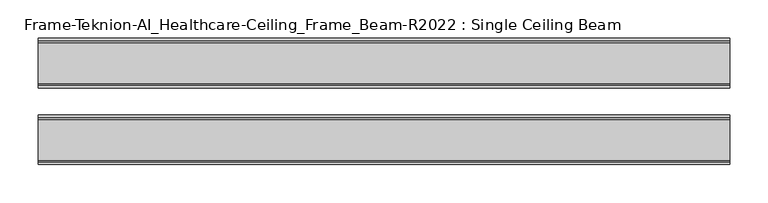
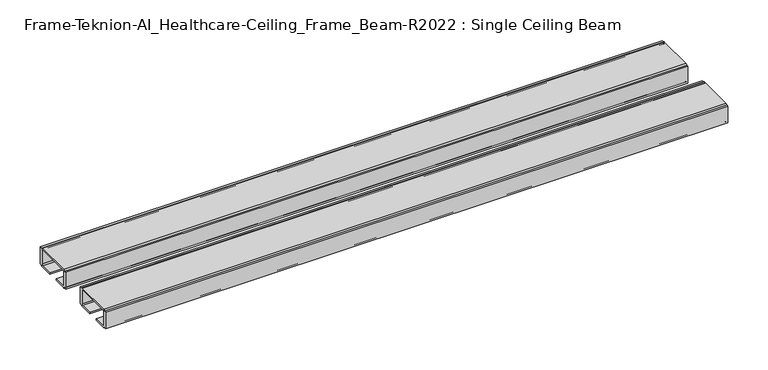
"""IFC4 building model written with IfcOpenShell, lengths in millimetres: furniture geometry, Frame-Teknion-AI_Healthcare-Ceiling_Frame_Beam-R2022 : Single Ceiling Beam."""

import ifcopenshell
import ifcopenshell.guid

model = None  # the IFC model being written
_history = None  # IfcOwnerHistory: only IFC2X3 demands one
_inside = {}  # id of a spatial element -> (the spatial element, [elements in it])
_under = {}  # id of a project, library or spatial element -> (it, [spatial elements below it])
_declared = {}  # id of a project -> (the project, [libraries it declares])
_typed = {}  # id of a type object -> (the type object, [elements of that type])
_made_of = {}  # id of a material, layer set ... -> (it, [elements and type objects made of it])


def new_model(schema):
    """Start an empty IFC model of exactly this schema.

    Asked for "IFC4X3", IfcOpenShell would pick the latest addendum, in which some entities
    have other attributes; the version numbers below select the first issue.
    IFC2X3 requires an IfcOwnerHistory on every rooted entity: one is made here for all.
    """
    global model, _history
    if schema == "IFC4X3":
        model = ifcopenshell.file(schema_version=(4, 3, 0, 0))
    else:
        model = ifcopenshell.file(schema=schema)
    _inside.clear()
    _under.clear()
    _declared.clear()
    _typed.clear()
    _made_of.clear()
    _history = None
    if model.schema == "IFC2X3":
        org = make("IfcOrganization", Name="unknown")
        user = make(
            "IfcPersonAndOrganization",
            ThePerson=make("IfcPerson", FamilyName="unknown"),
            TheOrganization=org,
        )
        app = make(
            "IfcApplication",
            ApplicationDeveloper=org,
            Version="unknown",
            ApplicationFullName="unknown",
            ApplicationIdentifier="unknown",
        )
        _history = make(
            "IfcOwnerHistory",
            OwningUser=user,
            OwningApplication=app,
            ChangeAction="ADDED",
            CreationDate=0,
        )
    return model


def make(cls, **values):
    """One entity of the class cls with the attributes given. An attribute that is None is left unset."""
    return model.create_entity(
        cls, **{name: value for name, value in values.items() if value is not None}
    )


def rooted(cls, **values):
    """An entity with a GlobalId (a new one), such as an element, a storey or a relation."""
    return make(cls, GlobalId=ifcopenshell.guid.new(), OwnerHistory=_history, **values)


def si_unit(unit_type, name, prefix=None):
    """IfcSIUnit, for example si_unit("LENGTHUNIT", "METRE", prefix="MILLI")."""
    return make("IfcSIUnit", UnitType=unit_type, Prefix=prefix, Name=name)


def assignment(units):
    """IfcUnitAssignment: the units of a project."""
    return None if units is None else make("IfcUnitAssignment", Units=units)


def point(xyz):
    """IfcCartesianPoint."""
    return None if xyz is None else make("IfcCartesianPoint", Coordinates=xyz)


def direction(xyz):
    """IfcDirection."""
    return None if xyz is None else make("IfcDirection", DirectionRatios=xyz)


def frame(location, z_axis=None, x_axis=None):
    """IfcAxis2Placement3D, a coordinate frame: its origin and axes. An axis left out is left unset."""
    return make(
        "IfcAxis2Placement3D",
        Location=point(location),
        Axis=direction(z_axis),
        RefDirection=direction(x_axis),
    )


def frame_2d(location, x_axis=None):
    """IfcAxis2Placement2D, a coordinate frame in the plane: its origin and x axis."""
    return make(
        "IfcAxis2Placement2D", Location=point(location), RefDirection=direction(x_axis)
    )


def origin():
    """The frame at (0, 0, 0) with its axes left unset."""
    return frame((0.0, 0.0, 0.0))


def place(relative_to, where):
    """IfcLocalPlacement: puts the frame where relative to a parent placement (None: the world)."""
    return make(
        "IfcLocalPlacement", PlacementRelTo=relative_to, RelativePlacement=where
    )


def context(
    kind, dimensions, precision=None, world=None, true_north=None, identifier=None
):
    """IfcGeometricRepresentationContext, for example the 3D "Model" context."""
    return make(
        "IfcGeometricRepresentationContext",
        ContextIdentifier=identifier,
        ContextType=kind,
        CoordinateSpaceDimension=dimensions,
        Precision=precision,
        WorldCoordinateSystem=world,
        TrueNorth=true_north,
    )


def project(units=None, contexts=None):
    """IfcProject with its units and contexts."""
    return rooted(
        "IfcProject",
        Name="project",
        RepresentationContexts=contexts,
        UnitsInContext=assignment(units),
    )


def spatial(cls, under=None, at=None, **own):
    """A site, building, storey or space (cls), placed at a placement, below another one or the project."""
    s = rooted(cls, ObjectPlacement=at, **own)
    if under is not None:
        _under.setdefault(under.id(), (under, []))[1].append(s)
    return s


def polyline(points):
    """IfcPolyline through the points."""
    return make("IfcPolyline", Points=[point(p) for p in points])


def circle_curve(where, radius):
    """IfcCircle in the frame where."""
    return make("IfcCircle", Position=where, Radius=radius)


def trimmed(basis, trim1, trim2, sense, master):
    """IfcTrimmedCurve: the piece of a basis curve between two trims."""
    return make(
        "IfcTrimmedCurve",
        BasisCurve=basis,
        Trim1=trim1,
        Trim2=trim2,
        SenseAgreement=sense,
        MasterRepresentation=master,
    )


def segment(curve, same_sense, transition):
    """IfcCompositeCurveSegment."""
    return make(
        "IfcCompositeCurveSegment",
        Transition=transition,
        SameSense=same_sense,
        ParentCurve=curve,
    )


def composite_curve(segments, self_intersect=None):
    """IfcCompositeCurve: segments joined end to end."""
    return make("IfcCompositeCurve", Segments=segments, SelfIntersect=self_intersect)


def outline(outer, holes=None, kind="AREA"):
    """IfcArbitraryClosedProfileDef: a profile drawn as a closed curve; with holes, ...WithVoids."""
    if holes is None:
        return make("IfcArbitraryClosedProfileDef", ProfileType=kind, OuterCurve=outer)
    return make(
        "IfcArbitraryProfileDefWithVoids",
        ProfileType=kind,
        OuterCurve=outer,
        InnerCurves=holes,
    )


def extrude(swept, where, along, depth):
    """IfcExtrudedAreaSolid: the profile swept, set in the frame where, extruded along a direction by depth."""
    return make(
        "IfcExtrudedAreaSolid",
        SweptArea=swept,
        Position=where,
        ExtrudedDirection=direction(along),
        Depth=depth,
    )


def shape(context_of_items, identifier, shape_type, items):
    """IfcShapeRepresentation: the items that make up one representation, for example the "Body"."""
    return make(
        "IfcShapeRepresentation",
        ContextOfItems=context_of_items,
        RepresentationIdentifier=identifier,
        RepresentationType=shape_type,
        Items=items,
    )


def source(mapping_origin, context_of_items, identifier, shape_type, items):
    """IfcRepresentationMap: a shape defined once, which mapped items show again and again."""
    return make(
        "IfcRepresentationMap",
        MappingOrigin=mapping_origin,
        MappedRepresentation=shape(context_of_items, identifier, shape_type, items),
    )


def transform(
    local_origin,
    x_axis=None,
    y_axis=None,
    z_axis=None,
    scale=None,
    scale2=None,
    scale3=None,
    uniform=True,
):
    """IfcCartesianTransformationOperator3D, or its non-uniform kind. x_axis, y_axis, z_axis: its Axis1, 2, 3."""
    if uniform:
        return make(
            "IfcCartesianTransformationOperator3D",
            Axis1=direction(x_axis),
            Axis2=direction(y_axis),
            LocalOrigin=point(local_origin),
            Scale=scale,
            Axis3=direction(z_axis),
        )
    return make(
        "IfcCartesianTransformationOperator3DnonUniform",
        Axis1=direction(x_axis),
        Axis2=direction(y_axis),
        LocalOrigin=point(local_origin),
        Scale=scale,
        Axis3=direction(z_axis),
        Scale2=scale2,
        Scale3=scale3,
    )


def mapped(mapping_source, mapping_target):
    """IfcMappedItem: shows the shape of a source again, moved by a transform."""
    return make(
        "IfcMappedItem", MappingSource=mapping_source, MappingTarget=mapping_target
    )


def made_of(thing, what):
    """Note that an element or type object is made of a material, layer set ...; save() writes the relation."""
    if what is not None:
        _made_of.setdefault(what.id(), (what, []))[1].append(thing)
    return thing


def element(
    cls,
    number,
    at=None,
    inside=None,
    cuts=None,
    type_object=None,
    material=None,
    context=None,
    identifier="Body",
    shape_type=None,
    held_by="IfcProductDefinitionShape",
    body=None,
    shapes=None,
    **own,
):
    """One element of the class cls, such as IfcWall. Its Tag is "e" and its number.

    at: its placement. inside: the storey or other place that contains it. cuts: it is an
    opening in that element (IfcRelVoidsElement). A single representation is given by context,
    identifier, shape_type and body (its items); several are given by shapes. held_by: the class
    of the entity that holds the representations. save() writes the other relations.
    """
    e = rooted(cls, Tag="e%d" % number, ObjectPlacement=at, **own)
    if body is not None:
        shapes = [shape(context, identifier, shape_type, body)]
    if shapes is not None:
        e.Representation = make(held_by, Representations=shapes)
    if inside is not None:
        _inside.setdefault(inside.id(), (inside, []))[1].append(e)
    if cuts is not None:
        rooted(
            "IfcRelVoidsElement", RelatingBuildingElement=cuts, RelatedOpeningElement=e
        )
    if type_object is not None:
        _typed.setdefault(type_object.id(), (type_object, []))[1].append(e)
    return made_of(e, material)


def aggregate(whole, parts):
    """IfcRelAggregates: a whole, such as a stair, and the parts it consists of."""
    return rooted("IfcRelAggregates", RelatingObject=whole, RelatedObjects=parts)


def save(model, path):
    """Write the relations noted so far, then the file.

    IfcRelAggregates (storeys below a building ...), IfcRelContainedInSpatialStructure (elements
    in a storey), IfcRelDefinesByType, IfcRelAssociatesMaterial and IfcRelDeclares: one each for
    every whole, place, type object, material and project.
    """
    for whole, parts in _under.values():
        aggregate(whole, parts)
    for where, things in _inside.values():
        rooted(
            "IfcRelContainedInSpatialStructure",
            RelatedElements=things,
            RelatingStructure=where,
        )
    for kind, things in _typed.values():
        rooted("IfcRelDefinesByType", RelatedObjects=things, RelatingType=kind)
    for what, things in _made_of.values():
        rooted("IfcRelAssociatesMaterial", RelatedObjects=things, RelatingMaterial=what)
    for by, libraries in _declared.values():
        rooted("IfcRelDeclares", RelatingContext=by, RelatedDefinitions=libraries)
    model.write(path)


def frame_teknion_ai_healthcare_ceiling_frame_beam_r2022_single_74fca950(model_context):
    return source(origin(), model_context, "Body", "SweptSolid", [
        extrude(outline(composite_curve([segment(polyline([(-82.1812471, 1573.5046), (-82.1812471, 1598.9045998), (-79.0062502, 1598.9045998), (-79.0062502, 1597.787)]), True, "CONTINUOUS"), segment(trimmed(circle_curve(frame_2d((-76.5932502, 1597.787)), 2.413), [point((-79.0062502, 1597.787))], [point((-76.5932502, 1600.2))], False, "CARTESIAN"), True, "CONTINUOUS"), segment(polyline([(-76.5932502, 1600.2), (-23.4192521, 1600.2)]), True, "CONTINUOUS"), segment(trimmed(circle_curve(frame_2d((-23.4192521, 1597.787)), 2.413), [point((-23.4192521, 1600.2))], [point((-21.0062521, 1597.787))], False, "CARTESIAN"), True, "CONTINUOUS"), segment(polyline([(-21.0062521, 1597.787), (-21.0062521, 1598.9045998), (-17.8312551, 1598.9045998), (-17.8312551, 1573.5046), (-21.0062521, 1573.5046), (-21.0062521, 1574.6129989)]), True, "CONTINUOUS"), segment(trimmed(circle_curve(frame_2d((-23.4192521, 1574.6129989)), 2.413), [point((-21.0062521, 1574.6129989))], [point((-23.4192521, 1572.199999))], False, "CARTESIAN"), True, "CONTINUOUS"), segment(polyline([(-23.4192521, 1572.199999), (-42.0687564, 1572.199999), (-42.0687564, 1574.4859991), (-24.562251, 1574.4859991)]), True, "CONTINUOUS"), segment(trimmed(circle_curve(frame_2d((-24.562251, 1576.0099999)), 1.5240008), [point((-24.562251, 1574.4859991))], [point((-23.0382502, 1576.0099999))], True, "CARTESIAN"), True, "CONTINUOUS"), segment(polyline([(-23.0382502, 1576.0099999), (-23.0382502, 1597.1520009)]), True, "CONTINUOUS"), segment(trimmed(circle_curve(frame_2d((-24.0542492, 1597.1520009)), 1.015999), [point((-23.0382502, 1597.1520009))], [point((-24.0542492, 1598.168))], True, "CARTESIAN"), True, "CONTINUOUS"), segment(polyline([(-24.0542492, 1598.168), (-75.9582531, 1598.168)]), True, "CONTINUOUS"), segment(trimmed(circle_curve(frame_2d((-75.9582531, 1597.1520009)), 1.015999), [point((-75.9582531, 1598.168))], [point((-76.9742521, 1597.1520009))], True, "CARTESIAN"), True, "CONTINUOUS"), segment(polyline([(-76.9742521, 1597.1520009), (-76.9742521, 1576.0099999)]), True, "CONTINUOUS"), segment(trimmed(circle_curve(frame_2d((-75.4502513, 1576.0099999)), 1.5240008), [point((-76.9742521, 1576.0099999))], [point((-75.4502513, 1574.4859991))], True, "CARTESIAN"), True, "CONTINUOUS"), segment(polyline([(-75.4502513, 1574.4859991), (-57.9437458, 1574.4859991), (-57.9437458, 1572.199999), (-76.5932502, 1572.199999)]), True, "CONTINUOUS"), segment(trimmed(circle_curve(frame_2d((-76.5932502, 1574.6129989)), 2.413), [point((-76.5932502, 1572.199999))], [point((-79.0062502, 1574.6129989))], False, "CARTESIAN"), True, "CONTINUOUS"), segment(polyline([(-79.0062502, 1574.6129989), (-79.0062502, 1573.5046), (-82.1812471, 1573.5046)]), True, "CONTINUOUS")], self_intersect=False)), frame((-448.9044872, 0.0, 0.0), z_axis=(1.0, 0.0, 0.0), x_axis=(0.0, 1.0, 0.0)), (0.0, 0.0, 1.0), 897.8089744),
        extrude(outline(composite_curve([segment(polyline([(1573.5046, 82.1812471), (1598.9045998, 82.1812471), (1598.9045998, 79.0062456), (1597.787, 79.0062456)]), True, "CONTINUOUS"), segment(trimmed(circle_curve(frame_2d((1597.787, 76.5932457)), 2.413), [point((1597.787, 79.0062456))], [point((1600.2, 76.5932457))], False, "CARTESIAN"), True, "CONTINUOUS"), segment(polyline([(1600.2, 76.5932457), (1600.2, 23.4192475)]), True, "CONTINUOUS"), segment(trimmed(circle_curve(frame_2d((1597.787, 23.4192475)), 2.413), [point((1600.2, 23.4192475))], [point((1597.787, 21.0062476))], False, "CARTESIAN"), True, "CONTINUOUS"), segment(polyline([(1597.787, 21.0062476), (1598.9045998, 21.0062476), (1598.9045998, 17.8312506), (1573.5046, 17.8312506), (1573.5046, 21.0062476), (1574.6129989, 21.0062476)]), True, "CONTINUOUS"), segment(trimmed(circle_curve(frame_2d((1574.6129989, 23.4192475)), 2.413), [point((1574.6129989, 21.0062476))], [point((1572.199999, 23.4192475))], False, "CARTESIAN"), True, "CONTINUOUS"), segment(polyline([(1572.199999, 23.4192475), (1572.199999, 42.0687519), (1574.4859991, 42.0687519), (1574.4859991, 24.5622464)]), True, "CONTINUOUS"), segment(trimmed(circle_curve(frame_2d((1576.0099999, 24.5622464)), 1.5240008), [point((1574.4859991, 24.5622464))], [point((1576.0099999, 23.0382456))], True, "CARTESIAN"), True, "CONTINUOUS"), segment(polyline([(1576.0099999, 23.0382456), (1597.1520009, 23.0382456)]), True, "CONTINUOUS"), segment(trimmed(circle_curve(frame_2d((1597.1520009, 24.0542446)), 1.015999), [point((1597.1520009, 23.0382456))], [point((1598.168, 24.0542446))], True, "CARTESIAN"), True, "CONTINUOUS"), segment(polyline([(1598.168, 24.0542446), (1598.168, 75.9582485)]), True, "CONTINUOUS"), segment(trimmed(circle_curve(frame_2d((1597.1520009, 75.9582485)), 1.015999), [point((1598.168, 75.9582485))], [point((1597.1520009, 76.9742476))], True, "CARTESIAN"), True, "CONTINUOUS"), segment(polyline([(1597.1520009, 76.9742476), (1576.0099999, 76.9742476)]), True, "CONTINUOUS"), segment(trimmed(circle_curve(frame_2d((1576.0099999, 75.4502468)), 1.5240008), [point((1576.0099999, 76.9742476))], [point((1574.4859991, 75.4502468))], True, "CARTESIAN"), True, "CONTINUOUS"), segment(polyline([(1574.4859991, 75.4502468), (1574.4859991, 57.9437413), (1572.199999, 57.9437413), (1572.199999, 76.5932457)]), True, "CONTINUOUS"), segment(trimmed(circle_curve(frame_2d((1574.6129989, 76.5932457)), 2.413), [point((1572.199999, 76.5932457))], [point((1574.6129989, 79.0062456))], False, "CARTESIAN"), True, "CONTINUOUS"), segment(polyline([(1574.6129989, 79.0062456), (1573.5046, 79.0062456), (1573.5046, 82.1812471)]), True, "CONTINUOUS")], self_intersect=False)), frame((448.9044872, 0.0, 0.0), z_axis=(-1.0, 0.0, 0.0), x_axis=(0.0, 0.0, 1.0)), (0.0, 0.0, 1.0), 897.8089744),
    ])


if __name__ == "__main__":
    model = new_model("IFC4")
    model_context = context("Model", 3, world=origin())
    ifc_project = project(units=[si_unit("LENGTHUNIT", "METRE", prefix="MILLI")], contexts=[model_context])
    site = spatial("IfcSite", under=ifc_project)
    building = spatial("IfcBuilding", under=site)
    placement = place(None, origin())
    frame_teknion_ai_healthcare_ceiling_frame_beam_r2022_single_shape = frame_teknion_ai_healthcare_ceiling_frame_beam_r2022_single_74fca950(model_context)
    element("IfcFurniture", 1, ObjectType="Frame-Teknion-AI_Healthcare-Ceiling_Frame_Beam-R2022 : Single Ceiling Beam", at=placement, inside=building, context=model_context, shape_type="MappedRepresentation", body=[
        mapped(frame_teknion_ai_healthcare_ceiling_frame_beam_r2022_single_shape, transform((0.0, 0.0, 0.0), x_axis=(1.0, 0.0, 0.0), y_axis=(0.0, 1.0, 0.0), z_axis=(0.0, 0.0, 1.0))),
    ])
    save(model, "model.ifc")
